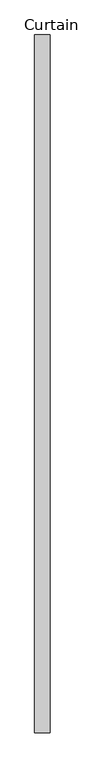
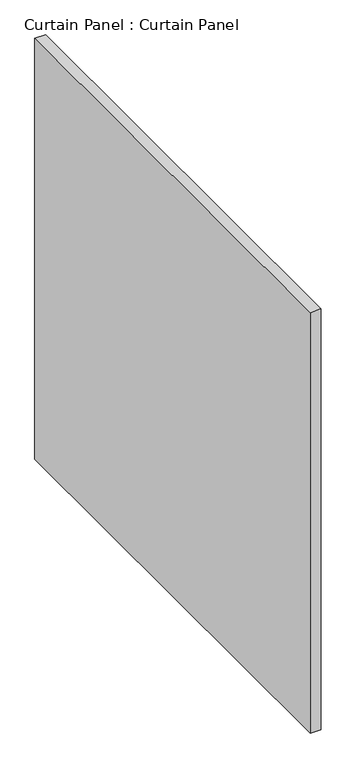
"""IFC4 building model written with IfcOpenShell, lengths in millimetres: plate geometry, Curtain Panel : Curtain Panel."""

from ifc_helpers import new_model, si_unit, frame, origin, place, context, project, spatial, polyline, outline, extrude, source, transform, mapped, element, save


def curtain_panel_curtain_panel_fe6a707b(model_context):
    return source(origin(), model_context, "Body", "SweptSolid", [
        extrude(outline(polyline([(-411398.1205803, 7153.1414426), (-411398.1205803, 6014.0112003), (-411423.5205803, 6014.0112003), (-411423.5205803, 7153.1414426), (-411398.1205803, 7153.1414426)])), frame((0.0, 0.0, 2470.15), z_axis=(0.0, 0.0, 1.0), x_axis=(1.0, 0.0, 0.0)), (0.0, 0.0, 1.0), 1059.9603332),
    ])


if __name__ == "__main__":
    model = new_model("IFC4")
    model_context = context("Model", 3, world=origin())
    ifc_project = project(units=[si_unit("LENGTHUNIT", "METRE", prefix="MILLI")], contexts=[model_context])
    site = spatial("IfcSite", under=ifc_project)
    building = spatial("IfcBuilding", under=site)
    placement = place(None, origin())
    curtain_panel_curtain_panel_shape = curtain_panel_curtain_panel_fe6a707b(model_context)
    element("IfcPlate", 1, ObjectType="Curtain Panel : Curtain Panel", at=placement, inside=building, context=model_context, shape_type="MappedRepresentation", body=[
        mapped(curtain_panel_curtain_panel_shape, transform((0.0, 0.0, 0.0), x_axis=(1.0, 0.0, 0.0), y_axis=(0.0, 1.0, 0.0), z_axis=(0.0, 0.0, 1.0))),
    ])
    save(model, "model.ifc")
